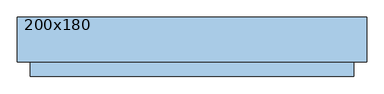
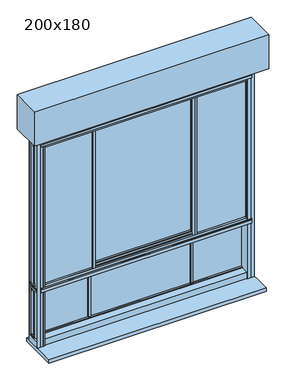
"""IFC4 building model written with IfcOpenShell, lengths in millimetres: window geometry, 200x180."""

from ifc_helpers import new_model, si_unit, frame, origin, place, context, project, spatial, polyline, outline, extrude, faceted_brep, source, transform, mapped, element, save


def window_200x180_533f8f19(model_context):
    return source(origin(), model_context, "Body", "SolidModel", [
        extrude(outline(polyline([(1871.5, 840.7), (1775.5, 840.7), (1775.5, 866.7), (1871.5, 866.7), (1871.5, 840.7)]), holes=[polyline([(1778.5, 863.7), (1778.5, 843.7), (1868.5, 843.7), (1868.5, 863.7), (1778.5, 863.7)])]), frame((0.0, 32.25, 0.0), z_axis=(0.0, 1.0, 0.0), x_axis=(0.0, 0.0, 1.0)), (0.0, 0.0, 1.0), 10.0),
        extrude(outline(polyline([(1871.5, -788.3), (1871.5, -814.3), (1775.5, -814.3), (1775.5, -788.3), (1871.5, -788.3)]), holes=[polyline([(1778.5, -811.3), (1868.5, -811.3), (1868.5, -791.3), (1778.5, -791.3), (1778.5, -811.3)])]), frame((0.0, 32.65, 0.0), z_axis=(0.0, 1.0, 0.0), x_axis=(0.0, 0.0, 1.0)), (0.0, 0.0, 1.0), 10.0),
        extrude(outline(polyline([(996.2, -93.75), (-943.8, -93.75), (-943.8, 156.25), (996.2, 156.25), (996.2, -93.75)])), frame((0.0, 0.0, 2523.5), z_axis=(0.0, 0.0, 1.0), x_axis=(1.0, 0.0, 0.0)), (0.0, 0.0, 1.0), 300.0),
        faceted_brep([(926.2, 25.5, 1173.5), (915.15, 25.5, 1173.5), (915.15, 21.0, 1173.5), (926.2, 21.0, 1173.5), (-873.8, 21.0, 1173.5), (-862.75, 21.0, 1173.5), (-862.75, 25.5, 1173.5), (-873.8, 25.5, 1173.5), (877.05, 21.0, 1173.5), (913.35, 21.0, 1173.5), (913.35, 22.7303848, 1173.5), (913.35, 25.5, 1173.5), (877.05, 25.5, 1173.5), (877.05, 42.2, 1173.5), (865.85, 42.2, 1173.5), (865.85, 25.5, 1173.5), (-813.45, 25.5, 1173.5), (-813.45, 42.2, 1173.5), (-824.65, 42.2, 1173.5), (-824.65, 25.5, 1173.5), (-860.95, 25.5, 1173.5), (-860.95, 22.7303848, 1173.5), (-860.95, 21.0, 1173.5), (-824.65, 21.0, 1173.5), (-824.65, 4.3, 1173.5), (-813.45, 4.3, 1173.5), (-813.45, 21.0, 1173.5), (865.85, 21.0, 1173.5), (865.85, 4.3, 1173.5), (877.05, 4.3, 1173.5), (-813.45, 108.1, 673.5), (-813.45, 106.25, 673.5), (865.85, 106.25, 673.5), (865.85, 108.1, 673.5), (926.2, 108.1, 673.5), (926.2, 29.65, 673.5), (915.15, 29.65, 673.5), (915.15, -0.5850342, 673.5), (926.2, -0.5850342, 673.5), (926.2, -6.8, 673.5), (898.9952323, -6.8, 673.5), (865.85, -6.8, 673.5), (865.85, 29.65, 673.5), (-813.45, 29.65, 673.5), (-813.45, -6.8, 673.5), (-846.5952323, -6.8, 673.5), (-873.8, -6.8, 673.5), (-873.8, -0.5850342, 673.5), (-862.75, -0.5850342, 673.5), (-862.75, 29.65, 673.5), (-873.8, 29.65, 673.5), (-873.8, 108.1, 673.5), (-860.95, -5.3, 673.5), (-824.65, -5.3, 673.5), (-824.65, 29.65, 673.5), (-860.95, 29.65, 673.5), (-860.95, 22.7303848, 673.5), (913.35, -5.3, 673.5), (913.35, 22.7303848, 673.5), (913.35, 29.65, 673.5), (877.05, 29.65, 673.5), (877.05, -5.3, 673.5), (877.05, 29.65, 677.75), (877.05, -4.95, 677.75), (877.05, -4.95, 728.8026988), (877.05, 49.9, 728.8026988), (877.05, 49.9, 1150.55), (877.05, -4.95, 1150.55), (877.05, -4.95, 1206.05), (877.05, -0.85, 1206.05), (877.05, -0.85, 2412.0), (877.05, -4.95, 2412.0), (877.05, -4.95, 2473.5), (877.05, -5.3, 2473.5), (877.05, 4.3, 1169.65), (877.05, 21.0, 1169.65), (877.05, 25.5, 1169.65), (877.05, 42.2, 1169.65), (877.05, 49.9, 2455.0), (877.05, 47.35, 2455.0), (877.05, 47.35, 2424.7), (877.05, 49.9, 2424.7), (877.05, 49.9, 2412.0), (877.05, 47.35, 2412.0), (877.05, 47.35, 1206.05), (877.05, 49.9, 1206.05), (877.05, -0.85, 2455.0), (877.05, -3.45, 2455.0), (877.05, -3.45, 2426.5), (877.05, -0.85, 2426.5), (865.85, 106.25, 728.8026988), (865.85, 90.05, 728.8026988), (865.85, 90.05, 738.4026988), (865.85, 81.05, 738.4026988), (865.85, 81.05, 729.8026988), (865.85, 75.05, 729.8026988), (865.85, 75.05, 738.4026988), (865.85, 61.75, 738.4026988), (865.85, 61.75, 728.8026988), (865.85, -4.95, 728.8026988), (865.85, -4.95, 677.75), (865.85, 29.65, 677.75), (865.85, -6.8, 2473.5), (865.85, -4.95, 2473.5), (865.85, -4.95, 2412.0), (865.85, -0.85, 2412.0), (865.85, -0.85, 1206.05), (865.85, -4.95, 1206.05), (865.85, -4.95, 1150.55), (865.85, 61.7500001, 1150.55), (865.85, 61.7500001, 1140.95), (865.85, 75.0500001, 1140.95), (865.85, 75.0500001, 1149.55), (865.85, 81.0500001, 1149.55), (865.85, 81.0500001, 1140.95), (865.85, 90.0500001, 1140.95), (865.85, 90.0500001, 1150.55), (865.85, 106.25, 1150.55), (865.85, 106.25, 1206.05), (865.85, 102.15, 1206.05), (865.85, 102.15, 1194.85), (865.85, 104.75, 1194.85), (865.85, 104.75, 1188.85), (865.85, 101.205881, 1188.85), (865.85, 99.75, 1184.85), (865.85, 97.0, 1184.85), (865.85, 97.0, 1169.65), (865.85, 80.3, 1169.65), (865.85, 80.3, 1173.6231379), (865.85, 75.8, 1173.6231379), (865.85, 75.8, 1169.65), (865.85, 59.1000001, 1169.65), (865.85, 59.1000001, 1184.85), (865.85, 56.4000001, 1184.85), (865.85, 54.9441191, 1188.85), (865.85, 53.9500001, 1188.85), (865.85, 53.9500001, 1206.05), (865.85, 47.35, 1206.05), (865.85, 47.35, 2412.0), (865.85, 53.95, 2412.0), (865.85, 53.95, 2424.7), (865.85, 51.4, 2424.7), (865.85, 51.4, 2455.0), (865.85, 104.75, 2455.0), (865.85, 104.75, 2426.5), (865.85, 102.15, 2426.5), (865.85, 102.15, 2412.0), (865.85, 106.25, 2412.0), (865.85, 106.25, 2473.5), (865.85, 108.1, 2473.5), (865.85, 21.0, 1169.65), (865.85, 4.3, 1169.65), (865.85, 42.2, 1169.65), (865.85, 25.5, 1169.65), (865.85, 47.35, 2455.0), (865.85, 49.9, 2455.0), (865.85, 49.9, 2424.7), (865.85, 47.35, 2424.7), (865.85, -0.85, 2426.5), (865.85, -3.45, 2426.5), (865.85, -3.45, 2455.0), (865.85, -0.85, 2455.0), (-813.45, 29.65, 677.75), (-813.45, -4.95, 677.75), (-813.45, -4.95, 728.8026988), (-813.45, 61.75, 728.8026988), (-813.45, 61.75, 738.4026988), (-813.45, 75.05, 738.4026988), (-813.45, 75.05, 729.8026988), (-813.45, 81.05, 729.8026988), (-813.45, 81.05, 738.4026988), (-813.45, 90.05, 738.4026988), (-813.45, 90.05, 728.8026988), (-813.45, 106.25, 728.8026988), (-813.45, 108.1, 2473.5), (-813.45, 106.25, 2473.5), (-813.45, 106.25, 2412.0), (-813.45, 102.15, 2412.0), (-813.45, 102.15, 2426.5), (-813.45, 104.75, 2426.5), (-813.45, 104.75, 2455.0), (-813.45, 51.4, 2455.0), (-813.45, 51.4, 2424.7), (-813.45, 53.95, 2424.7), (-813.45, 53.95, 2412.0), (-813.45, 47.35, 2412.0), (-813.45, 47.35, 1206.05), (-813.45, 53.9500001, 1206.05), (-813.45, 53.9500001, 1188.85), (-813.45, 54.9441191, 1188.85), (-813.45, 56.4000001, 1184.85), (-813.45, 59.1000001, 1184.85), (-813.45, 59.1000001, 1169.65), (-813.45, 75.8, 1169.65), (-813.45, 75.8, 1173.6231379), (-813.45, 80.3, 1173.6231379), (-813.45, 80.3, 1169.65), (-813.45, 97.0, 1169.65), (-813.45, 97.0, 1184.85), (-813.45, 99.75, 1184.85), (-813.45, 101.205881, 1188.85), (-813.45, 104.75, 1188.85), (-813.45, 104.75, 1194.85), (-813.45, 102.15, 1194.85), (-813.45, 102.15, 1206.05), (-813.45, 106.25, 1206.05), (-813.45, 106.25, 1150.55), (-813.45, 90.0500001, 1150.55), (-813.45, 90.0500001, 1140.95), (-813.45, 81.0500001, 1140.95), (-813.45, 81.0500001, 1149.55), (-813.45, 75.0500001, 1149.55), (-813.45, 75.0500001, 1140.95), (-813.45, 61.7500001, 1140.95), (-813.45, 61.7500001, 1150.55), (-813.45, -4.95, 1150.55), (-813.45, -4.95, 1206.05), (-813.45, -0.85, 1206.05), (-813.45, -0.85, 2412.0), (-813.45, -4.95, 2412.0), (-813.45, -4.95, 2473.5), (-813.45, -6.8, 2473.5), (-813.45, 4.3, 1169.65), (-813.45, 21.0, 1169.65), (-813.45, 25.5, 1169.65), (-813.45, 42.2, 1169.65), (-813.45, -0.85, 2455.0), (-813.45, -3.45, 2455.0), (-813.45, -3.45, 2426.5), (-813.45, -0.85, 2426.5), (-813.45, 47.35, 2424.7), (-813.45, 49.9, 2424.7), (-813.45, 49.9, 2455.0), (-813.45, 47.35, 2455.0), (-824.65, -5.3, 2473.5), (-824.65, -4.95, 2473.5), (-824.65, -4.95, 2412.0), (-824.65, -0.85, 2412.0), (-824.65, -0.85, 1206.05), (-824.65, -4.95, 1206.05), (-824.65, -4.95, 1150.55), (-824.65, 49.9, 1150.55), (-824.65, 49.9, 728.8026988), (-824.65, -4.95, 728.8026988), (-824.65, -4.95, 677.75), (-824.65, 29.65, 677.75), (-824.65, 21.0, 1169.65), (-824.65, 4.3, 1169.65), (-824.65, 42.2, 1169.65), (-824.65, 25.5, 1169.65), (-824.65, 47.35, 2455.0), (-824.65, 49.9, 2455.0), (-824.65, 49.9, 2424.7), (-824.65, 47.35, 2424.7), (-824.65, 47.35, 2412.0), (-824.65, 49.9, 2412.0), (-824.65, 49.9, 1206.05), (-824.65, 47.35, 1206.05), (-824.65, -0.85, 2426.5), (-824.65, -3.45, 2426.5), (-824.65, -3.45, 2455.0), (-824.65, -0.85, 2455.0), (-873.8, 108.1, 2473.5), (-873.8, -6.8, 2473.5), (-846.5952323, -6.8, 2473.5), (898.9952323, -6.8, 2473.5), (926.2, -6.8, 2473.5), (926.2, 108.1, 2473.5), (-860.95, -5.3, 2473.5), (-860.95, -4.95, 2473.5), (913.35, -5.3, 2473.5), (913.35, -4.95, 2473.5), (913.35, -0.85, 1206.05), (913.35, -0.85, 1188.85), (-860.95, -0.85, 1188.85), (-860.95, -0.85, 1206.05), (-860.95, -0.85, 2412.0), (-860.95, -0.85, 2426.5), (913.35, -0.85, 2426.5), (913.35, -0.85, 2412.0), (-873.8, 29.65, 677.75), (-873.8, -0.5850342, 677.75), (-873.8, 51.4, 2455.0), (-873.8, 51.4, 2424.7), (-873.8, 53.95, 2424.7), (-873.8, 53.95, 2412.0), (-873.8, 47.35, 2412.0), (-873.8, 47.35, 2424.7), (-873.8, 49.9, 2424.7), (-873.8, 49.9, 2455.0), (-873.8, -0.5850342, 2455.0), (-873.8, -0.5850342, 1188.85), (-873.8, 0.0941191, 1188.85), (-873.8, 1.55, 1184.85), (-873.8, 4.3, 1184.85), (-873.8, 4.3, 1169.65), (-873.8, 21.0, 1169.65), (-873.8, 25.5, 1169.65), (-873.8, 42.2, 1169.65), (-873.8, 42.2, 1184.85), (-873.8, 44.9, 1184.85), (-873.8, 46.355881, 1188.85), (-873.8, 47.3500001, 1188.85), (-873.8, 47.3500001, 1206.05), (-873.8, 53.9500001, 1206.05), (-873.8, 53.9500001, 1188.85), (-873.8, 54.9441191, 1188.85), (-873.8, 56.4000001, 1184.85), (-873.8, 59.1000001, 1184.85), (-873.8, 59.1000001, 1169.65), (-873.8, 75.8, 1169.65), (-873.8, 75.8, 1173.6231379), (-873.8, 80.3, 1173.6231379), (-873.8, 80.3, 1169.65), (-873.8, 97.0, 1169.65), (-873.8, 97.0, 1184.85), (-873.8, 99.75, 1184.85), (-873.8, 101.205881, 1188.85), (-873.8, 101.8850342, 1188.85), (-873.8, 101.8850342, 2455.0), (-873.8, 90.0500001, 1150.55), (-873.8, 90.0500001, 1140.95), (-873.8, 81.0500001, 1140.95), (-873.8, 81.0500001, 1149.55), (-873.8, 75.0500001, 1149.55), (-873.8, 75.0500001, 1140.95), (-873.8, 61.7500001, 1140.95), (-873.8, 61.7500001, 1150.55), (-873.8, -0.5850342, 1150.55), (-873.8, -0.5850342, 728.8026988), (-873.8, 61.75, 728.8026988), (-873.8, 61.75, 738.4026988), (-873.8, 75.05, 738.4026988), (-873.8, 75.05, 729.8026988), (-873.8, 81.05, 729.8026988), (-873.8, 81.05, 738.4026988), (-873.8, 90.05, 738.4026988), (-873.8, 90.05, 728.8026988), (-873.8, 101.8850342, 728.8026988), (-873.8, 101.8850342, 1150.55), (-862.75, -0.5850342, 677.75), (-862.75, -0.5850342, 2455.0), (-862.75, -0.5850342, 1188.85), (-862.75, -0.5850342, 1150.55), (-862.75, -0.5850342, 728.8026988), (-862.75, 29.65, 677.75), (-862.75, 49.9, 2455.0), (-862.75, 49.9, 2424.7), (-862.75, 47.35, 2424.7), (-862.75, 47.35, 2412.0), (-862.75, 49.9, 2412.0), (-862.75, 49.9, 1206.05), (-862.75, 47.3500001, 1206.05), (-862.75, 47.3500001, 1188.85), (-862.75, 46.355881, 1188.85), (-862.75, 44.9, 1184.85), (-862.75, 42.2, 1184.85), (-862.75, 42.2, 1169.65), (-862.75, 25.5, 1169.65), (-862.75, 21.0, 1169.65), (-862.75, 4.3, 1169.65), (-862.75, 4.3, 1184.85), (-862.75, 1.55, 1184.85), (-862.75, 0.0941191, 1188.85), (-862.75, 49.9, 1150.55), (-862.75, 49.9, 728.8026988), (926.2, 49.9, 2455.0), (915.15, 49.9, 2455.0), (915.15, 49.9, 2424.7), (926.2, 49.9, 2424.7), (-869.028222, 49.9, 2412.0), (-869.028222, 49.9, 1206.05), (-869.028222, 49.9, 1150.55), (-869.028222, 49.9, 728.8026988), (921.428222, 49.9, 2412.0), (915.15, 49.9, 2412.0), (915.15, 49.9, 1206.05), (921.428222, 49.9, 1206.05), (921.428222, 49.9, 1150.55), (915.15, 49.9, 1150.55), (915.15, 49.9, 728.8026988), (921.428222, 49.9, 728.8026988), (-869.028222, 51.425037, 2412.0), (-869.028222, 51.425037, 1206.05), (-869.028222, 51.425037, 1150.55), (-869.028222, 51.425037, 728.8026988), (926.2, 51.425037, 2424.7), (915.15, 51.425037, 2424.7), (915.15, 51.425037, 2455.0), (926.2, 51.425037, 2455.0), (-862.75, 51.425037, 2412.0), (-862.75, 51.425037, 1206.05), (-862.75, 51.425037, 1150.55), (-862.75, 51.425037, 728.8026988), (-862.75, 51.425037, 2424.7), (-862.75, 51.425037, 2455.0), (915.15, 51.425037, 2412.0), (921.428222, 51.425037, 2412.0), (921.428222, 51.425037, 1206.05), (915.15, 51.425037, 1206.05), (915.15, 51.425037, 1150.55), (921.428222, 51.425037, 1150.55), (921.428222, 51.425037, 728.8026988), (915.15, 51.425037, 728.8026988), (-862.75, 101.8850342, 2455.0), (-862.75, 101.8850342, 1188.85), (-862.75, 101.205881, 1188.85), (-862.75, 99.75, 1184.85), (-862.75, 97.0, 1184.85), (-862.75, 97.0, 1169.65), (-862.75, 80.3, 1169.65), (-862.75, 80.3, 1173.6231379), (-862.75, 75.8, 1173.6231379), (-862.75, 75.8, 1169.65), (-862.75, 59.1000001, 1169.65), (-862.75, 59.1000001, 1184.85), (-862.75, 56.4000001, 1184.85), (-862.75, 54.9441191, 1188.85), (-862.75, 53.9500001, 1188.85), (-862.75, 53.9500001, 1206.05), (-862.75, 53.95, 2412.0), (-862.75, 53.95, 2424.7), (-862.75, 61.7500001, 1150.55), (-862.75, 61.7500001, 1140.95), (-862.75, 75.0500001, 1140.95), (-862.75, 75.0500001, 1149.55), (-862.75, 81.0500001, 1149.55), (-862.75, 81.0500001, 1140.95), (-862.75, 90.0500001, 1140.95), (-862.75, 90.0500001, 1150.55), (-862.75, 101.8850342, 1150.55), (-862.75, 101.8850342, 728.8026988), (-862.75, 90.05, 728.8026988), (-862.75, 90.05, 738.4026988), (-862.75, 81.05, 738.4026988), (-862.75, 81.05, 729.8026988), (-862.75, 75.05, 729.8026988), (-862.75, 75.05, 738.4026988), (-862.75, 61.75, 738.4026988), (-862.75, 61.75, 728.8026988), (926.2, 47.35, 2424.7), (915.15, 47.35, 2424.7), (915.15, 47.35, 2412.0), (926.2, 47.35, 2412.0), (926.2, 47.35, 1206.05), (915.15, 47.35, 1206.05), (915.15, 47.35, 1188.85), (926.2, 47.35, 1188.85), (-860.95, 47.35, 1188.85), (913.35, 47.35, 1188.85), (913.35, 47.35, 1206.05), (913.35, 47.35, 2412.0), (913.35, 47.35, 2424.7), (-860.95, 47.35, 2424.7), (-860.95, 47.35, 2412.0), (-860.95, 47.35, 1206.05), (-860.95, 49.9, 2455.0), (-860.95, 49.9, 2424.7), (-860.95, 49.9, 2412.0), (-860.95, 49.9, 1206.05), (-860.95, 49.9, 1150.55), (-860.95, 49.9, 728.8026988), (-860.95, 29.65, 677.75), (-860.95, 22.7303848, 677.75), (-860.95, 22.7303848, 2455.0), (-860.95, 25.5, 1169.65), (-860.95, 42.2, 1169.65), (-860.95, 42.2, 1184.85), (-860.95, 44.9, 1184.85), (-860.95, 46.355881, 1188.85), (-860.95, 22.7303848, 1150.55), (-860.95, 22.7303848, 728.8026988), (-860.95, -4.95, 677.75), (-860.95, -4.95, 728.8026988), (-860.95, -4.95, 1150.55), (-860.95, -4.95, 1206.05), (-860.95, 0.0941191, 1188.85), (-860.95, 1.55, 1184.85), (-860.95, 4.3, 1184.85), (-860.95, 4.3, 1169.65), (-860.95, 21.0, 1169.65), (-860.95, -3.45, 2455.0), (-860.95, -3.45, 2426.5), (-860.95, -4.95, 2412.0), (913.35, -4.95, 2412.0), (913.35, -3.45, 2426.5), (913.35, -3.45, 2455.0), (913.35, 22.7303848, 2455.0), (913.35, 21.0, 1169.65), (913.35, 4.3, 1169.65), (913.35, 4.3, 1184.85), (913.35, 1.55, 1184.85), (913.35, 0.0941191, 1188.85), (913.35, -4.95, 1206.05), (913.35, -4.95, 1150.55), (913.35, 22.7303848, 1150.55), (913.35, 22.7303848, 728.8026988), (913.35, -4.95, 728.8026988), (913.35, -4.95, 677.75), (913.35, 22.7303848, 677.75), (913.35, 29.65, 677.75), (913.35, 49.9, 2455.0), (913.35, 49.9, 2424.7), (913.35, 49.9, 2412.0), (913.35, 49.9, 1206.05), (913.35, 46.355881, 1188.85), (913.35, 44.9, 1184.85), (913.35, 42.2, 1184.85), (913.35, 42.2, 1169.65), (913.35, 25.5, 1169.65), (913.35, 49.9, 1150.55), (913.35, 49.9, 728.8026988), (926.2, -0.5850342, 677.75), (926.2, 29.65, 677.75), (926.2, 53.95, 2412.0), (926.2, 53.95, 2424.7), (926.2, 101.8850342, 2455.0), (926.2, 101.8850342, 1188.85), (926.2, 101.205881, 1188.85), (926.2, 99.75, 1184.85), (926.2, 97.0, 1184.85), (926.2, 97.0, 1169.65), (926.2, 80.3, 1169.65), (926.2, 80.3, 1173.6231379), (926.2, 75.8, 1173.6231379), (926.2, 75.8, 1169.65), (926.2, 59.1000001, 1169.65), (926.2, 59.1000001, 1184.85), (926.2, 56.4000001, 1184.85), (926.2, 54.9441191, 1188.85), (926.2, 53.9500001, 1188.85), (926.2, 53.9500001, 1206.05), (926.2, 46.355881, 1188.85), (926.2, 44.9, 1184.85), (926.2, 42.2, 1184.85), (926.2, 42.2, 1169.65), (926.2, 25.5, 1169.65), (926.2, 21.0, 1169.65), (926.2, 4.3, 1169.65), (926.2, 4.3, 1184.85), (926.2, 1.55, 1184.85), (926.2, 0.0941191, 1188.85), (926.2, -0.5850342, 1188.85), (926.2, -0.5850342, 2455.0), (926.2, 61.7500001, 1150.55), (926.2, 61.7500001, 1140.95), (926.2, 75.0500001, 1140.95), (926.2, 75.0500001, 1149.55), (926.2, 81.0500001, 1149.55), (926.2, 81.0500001, 1140.95), (926.2, 90.0500001, 1140.95), (926.2, 90.0500001, 1150.55), (926.2, 101.8850342, 1150.55), (926.2, 101.8850342, 728.8026988), (926.2, 90.05, 728.8026988), (926.2, 90.05, 738.4026988), (926.2, 81.05, 738.4026988), (926.2, 81.05, 729.8026988), (926.2, 75.05, 729.8026988), (926.2, 75.05, 738.4026988), (926.2, 61.75, 738.4026988), (926.2, 61.75, 728.8026988), (926.2, -0.5850342, 728.8026988), (926.2, -0.5850342, 1150.55), (915.15, 101.8850342, 2455.0), (915.15, 101.8850342, 1188.85), (915.15, 101.8850342, 1150.55), (915.15, 101.8850342, 728.8026988), (915.15, 53.95, 2424.7), (915.15, 53.95, 2412.0), (915.15, 53.9500001, 1206.05), (915.15, 53.9500001, 1188.85), (915.15, 54.9441191, 1188.85), (915.15, 56.4000001, 1184.85), (915.15, 59.1000001, 1184.85), (915.15, 59.1000001, 1169.65), (915.15, 75.8, 1169.65), (915.15, 75.8, 1173.6231379), (915.15, 80.3, 1173.6231379), (915.15, 80.3, 1169.65), (915.15, 97.0, 1169.65), (915.15, 97.0, 1184.85), (915.15, 99.75, 1184.85), (915.15, 101.205881, 1188.85), (915.15, 90.0500001, 1150.55), (915.15, 90.0500001, 1140.95), (915.15, 81.0500001, 1140.95), (915.15, 81.0500001, 1149.55), (915.15, 75.0500001, 1149.55), (915.15, 75.0500001, 1140.95), (915.15, 61.7500001, 1140.95), (915.15, 61.7500001, 1150.55), (915.15, 61.75, 728.8026988), (915.15, 61.75, 738.4026988), (915.15, 75.05, 738.4026988), (915.15, 75.05, 729.8026988), (915.15, 81.05, 729.8026988), (915.15, 81.05, 738.4026988), (915.15, 90.05, 738.4026988), (915.15, 90.05, 728.8026988), (915.15, 29.65, 677.75), (915.15, -0.5850342, 677.75), (915.15, -0.5850342, 2455.0), (915.15, -0.5850342, 1188.85), (915.15, 0.0941191, 1188.85), (915.15, 1.55, 1184.85), (915.15, 4.3, 1184.85), (915.15, 4.3, 1169.65), (915.15, 21.0, 1169.65), (915.15, 25.5, 1169.65), (915.15, 42.2, 1169.65), (915.15, 42.2, 1184.85), (915.15, 44.9, 1184.85), (915.15, 46.355881, 1188.85), (915.15, -0.5850342, 1150.55), (915.15, -0.5850342, 728.8026988)], [[[0, 1, 2, 3]], [[4, 5, 6, 7]], [[8, 9, 10, 11, 12, 13, 14, 15, 16, 17, 18, 19, 20, 21, 22, 23, 24, 25, 26, 27, 28, 29]], [[30, 31, 32, 33, 34, 35, 36, 37, 38, 39, 40, 41, 42, 43, 44, 45, 46, 47, 48, 49, 50, 51], [52, 53, 54, 55, 56], [57, 58, 59, 60, 61]], [[61, 60, 62, 63, 64, 65, 66, 67, 68, 69, 70, 71, 72, 73]], [[29, 74, 75, 8]], [[12, 76, 77, 13]], [[78, 79, 80, 81]], [[82, 83, 84, 85]], [[86, 87, 88, 89]], [[33, 32, 90, 91, 92, 93, 94, 95, 96, 97, 98, 99, 100, 101, 42, 41, 102, 103, 104, 105, 106, 107, 108, 109, 110, 111, 112, 113, 114, 115, 116, 117, 118, 119, 120, 121, 122, 123, 124, 125, 126, 127, 128, 129, 130, 131, 132, 133, 134, 135, 136, 137, 138, 139, 140, 141, 142, 143, 144, 145, 146, 147, 148, 149]], [[27, 150, 151, 28]], [[14, 152, 153, 15]], [[154, 155, 156, 157]], [[158, 159, 160, 161]], [[44, 43, 162, 163, 164, 165, 166, 167, 168, 169, 170, 171, 172, 173, 31, 30, 174, 175, 176, 177, 178, 179, 180, 181, 182, 183, 184, 185, 186, 187, 188, 189, 190, 191, 192, 193, 194, 195, 196, 197, 198, 199, 200, 201, 202, 203, 204, 205, 206, 207, 208, 209, 210, 211, 212, 213, 214, 215, 216, 217, 218, 219, 220, 221]], [[25, 222, 223, 26]], [[16, 224, 225, 17]], [[226, 227, 228, 229]], [[230, 231, 232, 233]], [[234, 235, 236, 237, 238, 239, 240, 241, 242, 243, 244, 245, 54, 53]], [[23, 246, 247, 24]], [[18, 248, 249, 19]], [[250, 251, 252, 253]], [[254, 255, 256, 257]], [[258, 259, 260, 261]], [[262, 263, 264, 221, 220, 103, 102, 265, 266, 267, 149, 148, 175, 174], [268, 269, 235, 234], [270, 73, 72, 271]], [[234, 53, 52, 268]], [[272, 273, 274, 275, 238, 237, 276, 277, 258, 261, 226, 229, 158, 161, 86, 89, 278, 279, 70, 69], [218, 217, 106, 105]], [[264, 45, 44, 221]], [[263, 46, 45, 264]], [[46, 263, 262, 51, 50, 280, 281, 47], [282, 283, 284, 285, 286, 287, 288, 289, 290, 291, 292, 293, 294, 295, 296, 4, 7, 297, 298, 299, 300, 301, 302, 303, 304, 305, 306, 307, 308, 309, 310, 311, 312, 313, 314, 315, 316, 317, 318, 319], [320, 321, 322, 323, 324, 325, 326, 327, 328, 329, 330, 331, 332, 333, 334, 335, 336, 337, 338, 339]], [[47, 281, 340, 48]], [[290, 341, 342, 291]], [[328, 343, 344, 329]], [[48, 340, 345, 49]], [[341, 346, 347, 348, 349, 350, 351, 352, 353, 354, 355, 356, 357, 358, 6, 5, 359, 360, 361, 362, 363, 342]], [[343, 364, 365, 344]], [[156, 155, 232, 231]], [[366, 367, 368, 369]], [[346, 289, 288, 347]], [[350, 370, 371, 351]], [[364, 372, 373, 365]], [[374, 375, 376, 377]], [[378, 379, 380, 381]], [[370, 382, 383, 371]], [[372, 384, 385, 373]], [[142, 141, 182, 181]], [[386, 387, 388, 389]], [[382, 390, 391, 383]], [[384, 392, 393, 385]], [[394, 283, 282, 395]], [[396, 397, 398, 399]], [[400, 401, 402, 403]], [[395, 404, 405, 406, 407, 408, 409, 410, 411, 412, 413, 414, 415, 416, 417, 418, 419, 391, 390, 420, 421, 394]], [[392, 422, 423, 424, 425, 426, 427, 428, 429, 430, 431, 432, 433, 434, 435, 436, 437, 438, 439, 393]], [[404, 319, 318, 405]], [[430, 339, 338, 431]], [[174, 30, 51, 262]], [[440, 441, 442, 443]], [[444, 445, 446, 447]], [[286, 349, 348, 287]], [[302, 353, 352, 303]], [[448, 449, 450, 84, 83, 451, 452, 80, 79, 154, 157, 230, 233, 250, 253, 453, 454, 254, 257, 455], [186, 185, 138, 137]], [[251, 456, 457, 252]], [[255, 458, 459, 256]], [[241, 460, 461, 242]], [[55, 462, 463, 56]], [[456, 464, 21, 20, 465, 466, 467, 468, 469, 448, 455, 459, 458, 454, 453, 457]], [[460, 470, 471, 461]], [[56, 463, 472, 473, 471, 470, 474, 475, 275, 274, 476, 477, 478, 479, 480, 22, 21, 464, 481, 482, 277, 276, 483, 269, 268, 52]], [[57, 270, 271, 484, 279, 278, 485, 486, 487, 10, 9, 488, 489, 490, 491, 492, 273, 272, 493, 494, 495, 496, 497, 498, 499, 58]], [[58, 499, 500, 59]], [[487, 501, 502, 452, 451, 503, 504, 450, 449, 505, 506, 507, 508, 509, 11, 10]], [[495, 510, 511, 496]], [[81, 502, 501, 78]], [[85, 504, 503, 82]], [[65, 511, 510, 66]], [[267, 34, 33, 149]], [[266, 39, 38, 512, 513, 35, 34, 267], [366, 369, 440, 443, 514, 515, 386, 389, 516, 517, 518, 519, 520, 521, 522, 523, 524, 525, 526, 527, 528, 529, 530, 531, 444, 447, 532, 533, 534, 535, 536, 0, 3, 537, 538, 539, 540, 541, 542, 543], [544, 545, 546, 547, 548, 549, 550, 551, 552, 553, 554, 555, 556, 557, 558, 559, 560, 561, 562, 563]], [[516, 564, 565, 517]], [[552, 566, 567, 553]], [[564, 388, 387, 568, 569, 396, 399, 570, 571, 572, 573, 574, 575, 576, 577, 578, 579, 580, 581, 582, 583, 565]], [[566, 584, 585, 586, 587, 588, 589, 590, 591, 400, 403, 592, 593, 594, 595, 596, 597, 598, 599, 567]], [[397, 374, 377, 398]], [[401, 378, 381, 402]], [[36, 600, 601, 37]], [[367, 602, 603, 604, 605, 606, 607, 608, 2, 1, 609, 610, 611, 612, 613, 446, 445, 376, 375, 442, 441, 368]], [[379, 614, 615, 380]], [[37, 601, 512, 38]], [[602, 543, 542, 603]], [[614, 563, 562, 615]], [[265, 40, 39, 266]], [[102, 41, 40, 265]], [[270, 57, 61, 73]], [[72, 71, 484, 271]], [[220, 219, 104, 103]], [[269, 483, 236, 235]], [[148, 147, 176, 175]], [[147, 146, 177, 176]], [[146, 145, 178, 177]], [[145, 144, 179, 178]], [[144, 143, 180, 179]], [[143, 142, 181, 180]], [[282, 319, 404, 395]], [[388, 564, 516, 389]], [[141, 140, 183, 182]], [[394, 421, 284, 283]], [[515, 568, 387, 386]], [[140, 139, 184, 183]], [[284, 421, 420, 285]], [[514, 569, 568, 515]], [[83, 82, 503, 451]], [[185, 184, 139, 138]], [[443, 442, 375, 374, 397, 396, 569, 514]], [[454, 458, 255, 254]], [[285, 420, 390, 382, 370, 350, 349, 286]], [[157, 156, 231, 230]], [[253, 252, 457, 453]], [[287, 348, 347, 288]], [[452, 502, 81, 80]], [[368, 441, 440, 369]], [[155, 154, 79, 78, 501, 487, 486, 87, 86, 161, 160, 227, 226, 261, 260, 481, 464, 456, 251, 250, 233, 232]], [[346, 341, 290, 289]], [[366, 543, 602, 367]], [[160, 159, 228, 227]], [[260, 259, 482, 481]], [[486, 485, 88, 87]], [[229, 228, 159, 158]], [[259, 258, 277, 482]], [[485, 278, 89, 88]], [[71, 70, 279, 484]], [[105, 104, 219, 218]], [[483, 276, 237, 236]], [[291, 342, 363, 292]], [[273, 492, 476, 274]], [[541, 604, 603, 542]], [[492, 491, 477, 476]], [[292, 363, 362, 293]], [[540, 605, 604, 541]], [[491, 490, 478, 477]], [[293, 362, 361, 294]], [[539, 606, 605, 540]], [[490, 489, 74, 29, 28, 151, 222, 25, 24, 247, 479, 478]], [[294, 361, 360, 295]], [[538, 607, 606, 539]], [[151, 150, 223, 222]], [[247, 246, 480, 479]], [[489, 488, 75, 74]], [[295, 360, 359, 296]], [[537, 608, 607, 538]], [[3, 2, 608, 537]], [[26, 223, 150, 27]], [[246, 23, 22, 480]], [[488, 9, 8, 75]], [[296, 359, 5, 4]], [[7, 6, 358, 297]], [[15, 153, 224, 16]], [[19, 249, 465, 20]], [[11, 509, 76, 12]], [[536, 609, 1, 0]], [[153, 152, 225, 224]], [[249, 248, 466, 465]], [[509, 508, 77, 76]], [[297, 358, 357, 298]], [[535, 610, 609, 536]], [[152, 14, 13, 77, 508, 507, 467, 466, 248, 18, 17, 225]], [[298, 357, 356, 299]], [[534, 611, 610, 535]], [[507, 506, 468, 467]], [[299, 356, 355, 300]], [[533, 612, 611, 534]], [[506, 505, 469, 468]], [[300, 355, 354, 301]], [[532, 613, 612, 533]], [[447, 446, 613, 532]], [[448, 469, 505, 449]], [[301, 354, 353, 302]], [[137, 136, 187, 186]], [[257, 256, 459, 455]], [[303, 352, 351, 371, 383, 391, 419, 304]], [[450, 504, 85, 84]], [[531, 570, 399, 398, 377, 376, 445, 444]], [[136, 135, 188, 187]], [[304, 419, 418, 305]], [[530, 571, 570, 531]], [[135, 134, 189, 188]], [[305, 418, 417, 306]], [[529, 572, 571, 530]], [[134, 133, 190, 189]], [[306, 417, 416, 307]], [[528, 573, 572, 529]], [[133, 132, 191, 190]], [[307, 416, 415, 308]], [[527, 574, 573, 528]], [[132, 131, 192, 191]], [[308, 415, 414, 309]], [[526, 575, 574, 527]], [[131, 130, 193, 192]], [[309, 414, 413, 310]], [[525, 576, 575, 526]], [[130, 129, 194, 193]], [[310, 413, 412, 311]], [[524, 577, 576, 525]], [[129, 128, 195, 194]], [[311, 412, 411, 312]], [[523, 578, 577, 524]], [[128, 127, 196, 195]], [[312, 411, 410, 313]], [[522, 579, 578, 523]], [[127, 126, 197, 196]], [[313, 410, 409, 314]], [[521, 580, 579, 522]], [[126, 125, 198, 197]], [[314, 409, 408, 315]], [[520, 581, 580, 521]], [[125, 124, 199, 198]], [[315, 408, 407, 316]], [[519, 582, 581, 520]], [[124, 123, 200, 199]], [[316, 407, 406, 317]], [[518, 583, 582, 519]], [[123, 122, 201, 200]], [[517, 565, 583, 518]], [[317, 406, 405, 318]], [[122, 121, 202, 201]], [[121, 120, 203, 202]], [[120, 119, 204, 203]], [[119, 118, 205, 204]], [[118, 117, 206, 205]], [[117, 116, 207, 206]], [[339, 430, 429, 320]], [[551, 584, 566, 552]], [[115, 114, 209, 208]], [[549, 586, 585, 550]], [[321, 428, 427, 322]], [[114, 113, 210, 209]], [[322, 427, 426, 323]], [[548, 587, 586, 549]], [[113, 112, 211, 210]], [[323, 426, 425, 324]], [[547, 588, 587, 548]], [[112, 111, 212, 211]], [[324, 425, 424, 325]], [[546, 589, 588, 547]], [[111, 110, 213, 212]], [[325, 424, 423, 326]], [[545, 590, 589, 546]], [[110, 109, 214, 213]], [[326, 423, 422, 327]], [[544, 591, 590, 545]], [[67, 66, 510, 495, 494]], [[109, 108, 215, 214]], [[474, 470, 460, 241, 240]], [[563, 614, 379, 378, 401, 400, 591, 544]], [[327, 422, 392, 384, 372, 364, 343, 328]], [[108, 107, 216, 215]], [[240, 239, 475, 474]], [[494, 493, 68, 67]], [[69, 68, 493, 272]], [[217, 216, 107, 106]], [[275, 475, 239, 238]], [[101, 100, 163, 162]], [[245, 244, 472, 463, 462]], [[500, 499, 498, 63, 62]], [[512, 601, 600, 513]], [[280, 345, 340, 281]], [[100, 99, 164, 163]], [[244, 243, 473, 472]], [[498, 497, 64, 63]], [[99, 98, 165, 164]], [[243, 242, 461, 471, 473]], [[329, 344, 365, 373, 385, 393, 439, 330]], [[497, 496, 511, 65, 64]], [[561, 592, 403, 402, 381, 380, 615, 562]], [[98, 97, 166, 165]], [[330, 439, 438, 331]], [[560, 593, 592, 561]], [[97, 96, 167, 166]], [[331, 438, 437, 332]], [[559, 594, 593, 560]], [[96, 95, 168, 167]], [[332, 437, 436, 333]], [[558, 595, 594, 559]], [[95, 94, 169, 168]], [[333, 436, 435, 334]], [[557, 596, 595, 558]], [[94, 93, 170, 169]], [[334, 435, 434, 335]], [[556, 597, 596, 557]], [[93, 92, 171, 170]], [[335, 434, 433, 336]], [[555, 598, 597, 556]], [[91, 90, 173, 172]], [[553, 567, 599, 554]], [[337, 432, 431, 338]], [[31, 173, 90, 32]], [[50, 49, 345, 280]], [[42, 101, 162, 43]], [[54, 245, 462, 55]], [[59, 500, 62, 60]], [[513, 600, 36, 35]], [[172, 171, 92, 91]], [[336, 433, 432, 337]], [[554, 599, 598, 555]], [[208, 207, 116, 115]], [[320, 429, 428, 321]], [[550, 585, 584, 551]]]),
        extrude(outline(polyline([(57.45, 2431.9), (61.75, 2431.9), (61.75, 2434.1), (67.4000001, 2434.1), (67.4000001, 2443.9), (88.6999999, 2443.9), (88.6999999, 2434.1), (94.35, 2434.1), (94.35, 2431.9), (98.65, 2431.9), (98.65, 2414.0), (81.05, 2414.0), (81.05, 2423.4), (75.05, 2423.4), (75.05, 2414.0), (57.45, 2414.0), (57.45, 2431.9)])), frame((-398.3, 0.0, 0.0), z_axis=(1.0, 0.0, 0.0), x_axis=(0.0, 1.0, 0.0)), (0.0, 0.0, 1.0), 849.0),
        extrude(outline(polyline([(57.45, 1186.15), (57.45, 1204.05), (75.05, 1204.05), (75.05, 1194.65), (81.05, 1194.65), (81.05, 1204.05), (98.65, 1204.05), (98.65, 1186.15), (94.35, 1186.15), (94.35, 1183.95), (88.6999999, 1183.95), (88.6999999, 1174.15), (67.4000001, 1174.15), (67.4000001, 1183.95), (61.75, 1183.95), (61.75, 1186.15), (57.45, 1186.15)])), frame((-398.3, 0.0, 0.0), z_axis=(1.0, 0.0, 0.0), x_axis=(0.0, 1.0, 0.0)), (0.0, 0.0, 1.0), 849.0),
        extrude(outline(polyline([(-396.8, 87.45), (-388.3, 87.45), (-388.3, 81.05), (-408.3, 81.05), (-408.3, 87.45), (-399.8, 87.45), (-399.8, 96.25), (-396.8, 96.25), (-396.8, 87.45)])), frame((0.0, 0.0, 729.0), z_axis=(0.0, 0.0, 1.0), x_axis=(1.0, 0.0, 0.0)), (0.0, 0.0, 1.0), 444.5),
        extrude(outline(polyline([(-408.3, 69.05), (-408.3, 75.05), (-388.3, 75.05), (-388.3, 69.05), (-408.3, 69.05)])), frame((0.0, 0.0, 729.0), z_axis=(0.0, 0.0, 1.0), x_axis=(1.0, 0.0, 0.0)), (0.0, 0.0, 1.0), 444.5),
        extrude(outline(polyline([(449.2, 87.45), (449.2, 96.25), (452.2, 96.25), (452.2, 87.45), (460.7, 87.45), (460.7, 81.05), (440.7, 81.05), (440.7, 87.45), (449.2, 87.45)])), frame((0.0, 0.0, 729.0), z_axis=(0.0, 0.0, 1.0), x_axis=(1.0, 0.0, 0.0)), (0.0, 0.0, 1.0), 444.5),
        extrude(outline(polyline([(460.7, 69.05), (440.7, 69.05), (440.7, 75.05), (460.7, 75.05), (460.7, 69.05)])), frame((0.0, 0.0, 729.0), z_axis=(0.0, 0.0, 1.0), x_axis=(1.0, 0.0, 0.0)), (0.0, 0.0, 1.0), 444.5),
        extrude(outline(polyline([(-823.7, 20.25), (-823.7, 26.25), (-397.3, 26.25), (-397.3, 20.25), (-823.7, 20.25)])), frame((0.0, 0.0, 1194.65), z_axis=(0.0, 0.0, 1.0), x_axis=(1.0, 0.0, 0.0)), (0.0, 0.0, 1.0), 1228.75),
        extrude(outline(polyline([(876.1, 20.25), (450.7, 20.25), (450.7, 26.25), (876.1, 26.25), (876.1, 20.25)])), frame((0.0, 0.0, 1194.65), z_axis=(0.0, 0.0, 1.0), x_axis=(1.0, 0.0, 0.0)), (0.0, 0.0, 1.0), 1228.75),
        extrude(outline(polyline([(450.7, 75.05), (-398.3, 75.05), (-398.3, 81.05), (450.7, 81.05), (450.7, 75.05)])), frame((0.0, 0.0, 1194.65), z_axis=(0.0, 0.0, 1.0), x_axis=(1.0, 0.0, 0.0)), (0.0, 0.0, 1.0), 1228.75),
        faceted_brep([(-389.3, 2.65, 1173.5), (-407.3, 2.65, 1173.5), (-407.3, 14.25, 1173.5), (-397.0748111, 14.25, 1173.5), (-397.0748111, 32.25, 1173.5), (-407.3, 32.25, 1173.5), (-407.3, 43.85, 1173.5), (-393.1031371, 43.85, 1173.5), (-393.1031371, 50.1440374, 1173.5), (-396.4081362, 50.1440374, 1173.5), (-400.6157826, 51.5636227, 1173.5), (-400.6157826, 53.95, 1173.5), (-391.3266098, 53.95, 1173.5), (-391.3266098, 43.85, 1173.5), (-389.3, 43.85, 1173.5), (-389.3, 2.65, 2443.9), (-389.3, 43.85, 2443.9), (-391.3266098, 43.85, 2443.9), (-391.3266098, 53.95, 2443.9), (-400.6157826, 53.95, 2443.9), (-400.6157826, 51.5636227, 2443.9), (-396.4081362, 50.1440374, 2443.9), (-393.1031371, 50.1440374, 2443.9), (-393.1031371, 43.85, 2443.9), (-407.3, 43.85, 2443.9), (-407.3, 33.8999999, 2443.9), (-844.2, 33.8999999, 2443.9), (-844.2, 12.6000001, 2443.9), (-407.3, 12.6000001, 2443.9), (-407.3, 2.65, 2443.9), (-397.0748111, 14.25, 2443.9), (-398.3, 14.25, 2443.9), (-398.3, 32.25, 2443.9), (-397.0748111, 32.25, 2443.9), (-407.3, 2.65, 2431.9), (-832.2, 2.65, 2431.9), (-832.2, 2.65, 1185.9300791), (-407.3, 2.65, 1185.9300791), (-814.3, 2.65, 2414.0), (-407.3, 2.65, 2414.0), (-407.3, 2.65, 1203.8300791), (-814.3, 2.65, 1203.8300791), (-407.3, 6.95, 1185.9300791), (-407.3, 6.95, 1183.7300791), (-407.3, 12.6000001, 1183.7300791), (-407.3, 12.6000001, 1173.9300791), (-407.3, 14.25, 1173.9300791), (-407.3, 12.6000001, 2434.1), (-407.3, 6.95, 2434.1), (-407.3, 6.95, 2431.9), (-407.3, 14.25, 2414.0), (-407.3, 14.25, 1203.8300791), (-398.3, 14.25, 1173.9300791), (-398.3, 14.25, 1203.8300791), (-398.3, 14.25, 2414.0), (-398.3, 32.25, 2414.0), (-407.3, 32.25, 2414.0), (-407.3, 32.25, 1203.8300791), (-398.3, 32.25, 1203.8300791), (-398.3, 32.25, 1173.9300791), (-407.3, 32.25, 1173.9300791), (-407.3, 33.8999999, 1173.9300791), (-407.3, 33.8999999, 1183.7300791), (-407.3, 39.55, 1183.7300791), (-407.3, 39.55, 1185.9300791), (-407.3, 43.85, 1185.9300791), (-407.3, 43.85, 2431.9), (-407.3, 39.55, 2431.9), (-407.3, 39.55, 2434.1), (-407.3, 33.8999999, 2434.1), (-407.3, 43.85, 2414.0), (-407.3, 43.85, 1203.8300791), (-398.3, 20.25, 1203.8300791), (-398.3, 26.25, 1203.8300791), (-398.3, 26.25, 1194.4300791), (-398.3, 20.25, 1194.4300791), (-814.3, 20.25, 1203.8300791), (-823.7, 20.25, 1194.4300791), (-823.7, 20.25, 2423.4), (-398.3, 20.25, 2423.4), (-398.3, 20.25, 2414.0), (-814.3, 20.25, 2414.0), (-823.7, 26.25, 1194.4300791), (-814.3, 26.25, 1203.8300791), (-814.3, 26.25, 2414.0), (-398.3, 26.25, 2414.0), (-398.3, 26.25, 2423.4), (-823.7, 26.25, 2423.4), (-814.3, 43.85, 1203.8300791), (-832.2, 43.85, 1185.9300791), (-832.2, 39.55, 1185.9300791), (-834.4, 39.55, 1183.7300791), (-834.4, 39.55, 2434.1), (-832.2, 39.55, 2431.9), (-834.4, 33.8999999, 1183.7300791), (-844.2, 33.8999999, 1173.9300791), (-834.4, 33.8999999, 2434.1), (-844.2, 12.6000001, 1173.9300791), (-834.4, 12.6000001, 1183.7300791), (-834.4, 12.6000001, 2434.1), (-834.4, 6.95, 1183.7300791), (-832.2, 6.95, 1185.9300791), (-832.2, 6.95, 2431.9), (-834.4, 6.95, 2434.1), (-814.3, 43.85, 2414.0), (-832.2, 43.85, 2431.9)], [[[0, 1, 2, 3, 4, 5, 6, 7, 8, 9, 10, 11, 12, 13, 14]], [[15, 16, 17, 18, 19, 20, 21, 22, 23, 24, 25, 26, 27, 28, 29], [30, 31, 32, 33]], [[0, 15, 29, 34, 35, 36, 37, 1], [38, 39, 40, 41]], [[1, 37, 42, 43, 44, 45, 46, 2]], [[28, 47, 48, 49, 34, 29]], [[39, 50, 51, 40]], [[2, 46, 52, 53, 51, 50, 54, 31, 30, 3]], [[3, 30, 33, 4]], [[4, 33, 32, 55, 56, 57, 58, 59, 60, 5]], [[5, 60, 61, 62, 63, 64, 65, 6]], [[24, 66, 67, 68, 69, 25]], [[56, 70, 71, 57]], [[13, 17, 16, 14]], [[72, 53, 52, 59, 58, 73, 74, 75]], [[41, 40, 51, 53, 72, 76]], [[75, 77, 78, 79, 80, 81, 76, 72]], [[74, 82, 77, 75]], [[73, 83, 84, 85, 86, 87, 82, 74]], [[73, 58, 57, 71, 88, 83]], [[89, 65, 64, 90]], [[90, 64, 63, 91, 92, 68, 67, 93]], [[91, 63, 62, 94]], [[94, 62, 61, 95, 26, 25, 69, 96]], [[95, 61, 60, 59, 52, 46, 45, 97]], [[97, 45, 44, 98, 99, 47, 28, 27]], [[98, 44, 43, 100]], [[100, 43, 42, 101, 102, 49, 48, 103]], [[101, 42, 37, 36]], [[41, 76, 81, 38]], [[77, 82, 87, 78]], [[83, 88, 104, 84]], [[89, 90, 93, 105]], [[91, 94, 96, 92]], [[95, 97, 27, 26]], [[98, 100, 103, 99]], [[35, 102, 101, 36]], [[79, 86, 85, 55, 32, 31, 54, 80]], [[80, 54, 50, 39, 38, 81]], [[78, 87, 86, 79]], [[84, 104, 70, 56, 55, 85]], [[93, 67, 66, 105]], [[96, 69, 68, 92]], [[103, 48, 47, 99]], [[35, 34, 49, 102]], [[14, 16, 15, 0]], [[12, 18, 17, 13]], [[11, 19, 18, 12]], [[10, 20, 19, 11]], [[9, 21, 20, 10]], [[8, 22, 21, 9]], [[7, 23, 22, 8]], [[6, 65, 89, 105, 66, 24, 23, 7], [88, 71, 70, 104]]]),
        faceted_brep([(-407.3, 98.65, 1173.5), (-389.3, 98.65, 1173.5), (-389.3, 87.05, 1173.5), (-399.6733902, 87.05, 1173.5), (-399.6733902, 69.05, 1173.5), (-389.3, 69.05, 1173.5), (-389.3, 57.45, 1173.5), (-403.5817343, 57.45, 1173.5), (-403.5817343, 51.1559626, 1173.5), (-400.1918638, 51.1559626, 1173.5), (-395.9842174, 49.7071538, 1173.5), (-395.9842174, 47.35, 1173.5), (-405.3582616, 47.35, 1173.5), (-405.3582616, 57.45, 1173.5), (-407.3, 57.45, 1173.5), (-407.3, 98.65, 2443.9), (-407.3, 57.45, 2443.9), (-405.3582616, 57.45, 2443.9), (-405.3582616, 47.35, 2443.9), (-395.9842174, 47.35, 2443.9), (-395.9842174, 49.7071538, 2443.9), (-400.1918638, 51.1559626, 2443.9), (-403.5817343, 51.1559626, 2443.9), (-403.5817343, 57.45, 2443.9), (-389.3, 57.45, 2443.9), (-389.3, 69.05, 2443.9), (-399.6733902, 69.05, 2443.9), (-399.6733902, 87.05, 2443.9), (-389.3, 87.05, 2443.9), (-389.3, 98.65, 2443.9)], [[[0, 1, 2, 3, 4, 5, 6, 7, 8, 9, 10, 11, 12, 13, 14]], [[15, 16, 17, 18, 19, 20, 21, 22, 23, 24, 25, 26, 27, 28, 29]], [[0, 15, 29, 1]], [[1, 29, 28, 2]], [[2, 28, 27, 3]], [[3, 27, 26, 4]], [[4, 26, 25, 5]], [[7, 23, 22, 8]], [[8, 22, 21, 9]], [[9, 21, 20, 10]], [[10, 20, 19, 11]], [[11, 19, 18, 12]], [[12, 18, 17, 13]], [[13, 17, 16, 14]], [[14, 16, 15, 0]], [[6, 24, 23, 7]], [[5, 25, 24, 6]]]),
        faceted_brep([(441.7, 2.65, 1173.5), (441.7, 43.85, 1173.5), (443.7266098, 43.85, 1173.5), (443.7266098, 53.95, 1173.5), (453.0157826, 53.95, 1173.5), (453.0157826, 51.5636227, 1173.5), (448.8081362, 50.1440374, 1173.5), (445.5031371, 50.1440374, 1173.5), (445.5031371, 43.85, 1173.5), (459.7, 43.85, 1173.5), (459.7, 32.25, 1173.5), (449.4748111, 32.25, 1173.5), (449.4748111, 14.25, 1173.5), (459.7, 14.25, 1173.5), (459.7, 2.65, 1173.5), (441.7, 2.65, 2443.9), (459.7, 2.65, 2443.9), (459.7, 12.6000001, 2443.9), (896.6, 12.6000001, 2443.9), (896.6, 33.8999999, 2443.9), (459.7, 33.8999999, 2443.9), (459.7, 43.85, 2443.9), (445.5031371, 43.85, 2443.9), (445.5031371, 50.1440374, 2443.9), (448.8081362, 50.1440374, 2443.9), (453.0157826, 51.5636227, 2443.9), (453.0157826, 53.95, 2443.9), (443.7266098, 53.95, 2443.9), (443.7266098, 43.85, 2443.9), (441.7, 43.85, 2443.9), (449.4748111, 14.25, 2443.9), (449.4748111, 32.25, 2443.9), (450.7, 32.25, 2443.9), (450.7, 14.25, 2443.9), (450.7, 26.25, 1203.8300791), (450.7, 32.25, 1203.8300791), (450.7, 32.25, 1173.9300791), (450.7, 14.25, 1173.9300791), (450.7, 14.25, 1203.8300791), (450.7, 20.25, 1203.8300791), (450.7, 20.25, 1194.4300791), (450.7, 26.25, 1194.4300791), (450.7, 20.25, 2414.0), (450.7, 14.25, 2414.0), (450.7, 32.25, 2414.0), (450.7, 26.25, 2414.0), (450.7, 26.25, 2423.4), (450.7, 20.25, 2423.4), (866.7, 43.85, 1203.8300791), (459.7, 43.85, 1203.8300791), (459.7, 32.25, 1203.8300791), (866.7, 26.25, 1203.8300791), (876.1, 26.25, 1194.4300791), (876.1, 26.25, 2423.4), (866.7, 26.25, 2414.0), (876.1, 20.25, 1194.4300791), (866.7, 20.25, 1203.8300791), (866.7, 20.25, 2414.0), (876.1, 20.25, 2423.4), (459.7, 14.25, 1203.8300791), (459.7, 2.65, 1203.8300791), (866.7, 2.65, 1203.8300791), (884.6, 2.65, 1185.9300791), (459.7, 2.65, 1185.9300791), (459.7, 6.95, 1185.9300791), (884.6, 6.95, 1185.9300791), (459.7, 6.95, 1183.7300791), (886.8, 6.95, 1183.7300791), (886.8, 6.95, 2434.1), (459.7, 6.95, 2434.1), (459.7, 6.95, 2431.9), (884.6, 6.95, 2431.9), (459.7, 12.6000001, 1183.7300791), (886.8, 12.6000001, 1183.7300791), (459.7, 12.6000001, 1173.9300791), (896.6, 12.6000001, 1173.9300791), (459.7, 12.6000001, 2434.1), (886.8, 12.6000001, 2434.1), (459.7, 14.25, 1173.9300791), (459.7, 32.25, 1173.9300791), (459.7, 33.8999999, 1173.9300791), (896.6, 33.8999999, 1173.9300791), (459.7, 33.8999999, 1183.7300791), (886.8, 33.8999999, 1183.7300791), (886.8, 33.8999999, 2434.1), (459.7, 33.8999999, 2434.1), (459.7, 39.55, 1183.7300791), (886.8, 39.55, 1183.7300791), (459.7, 39.55, 1185.9300791), (884.6, 39.55, 1185.9300791), (884.6, 39.55, 2431.9), (459.7, 39.55, 2431.9), (459.7, 39.55, 2434.1), (886.8, 39.55, 2434.1), (459.7, 43.85, 1185.9300791), (884.6, 43.85, 1185.9300791), (866.7, 43.85, 2414.0), (866.7, 2.65, 2414.0), (884.6, 2.65, 2431.9), (884.6, 43.85, 2431.9), (459.7, 32.25, 2414.0), (459.7, 43.85, 2414.0), (459.7, 2.65, 2414.0), (459.7, 14.25, 2414.0), (459.7, 2.65, 2431.9), (459.7, 43.85, 2431.9)], [[[0, 1, 2, 3, 4, 5, 6, 7, 8, 9, 10, 11, 12, 13, 14]], [[15, 16, 17, 18, 19, 20, 21, 22, 23, 24, 25, 26, 27, 28, 29], [30, 31, 32, 33]], [[34, 35, 36, 37, 38, 39, 40, 41]], [[42, 43, 33, 32, 44, 45, 46, 47]], [[48, 49, 50, 35, 34, 51]], [[41, 52, 53, 46, 45, 54, 51, 34]], [[40, 55, 52, 41]], [[39, 56, 57, 42, 47, 58, 55, 40]], [[39, 38, 59, 60, 61, 56]], [[62, 63, 64, 65]], [[65, 64, 66, 67, 68, 69, 70, 71]], [[67, 66, 72, 73]], [[73, 72, 74, 75, 18, 17, 76, 77]], [[75, 74, 78, 37, 36, 79, 80, 81]], [[81, 80, 82, 83, 84, 85, 20, 19]], [[83, 82, 86, 87]], [[87, 86, 88, 89, 90, 91, 92, 93]], [[89, 88, 94, 95]], [[48, 51, 54, 96]], [[52, 55, 58, 53]], [[56, 61, 97, 57]], [[62, 65, 71, 98]], [[67, 73, 77, 68]], [[75, 81, 19, 18]], [[83, 87, 93, 84]], [[99, 90, 89, 95]], [[45, 44, 100, 101, 96, 54]], [[46, 53, 58, 47]], [[57, 97, 102, 103, 43, 42]], [[71, 70, 104, 98]], [[77, 76, 69, 68]], [[93, 92, 85, 84]], [[99, 105, 91, 90]], [[14, 63, 62, 98, 104, 16, 15, 0], [102, 97, 61, 60]], [[60, 59, 103, 102]], [[16, 104, 70, 69, 76, 17]], [[13, 78, 74, 72, 66, 64, 63, 14]], [[12, 30, 33, 43, 103, 59, 38, 37, 78, 13]], [[11, 31, 30, 12]], [[10, 79, 36, 35, 50, 100, 44, 32, 31, 11]], [[50, 49, 101, 100]], [[20, 85, 92, 91, 105, 21]], [[9, 94, 88, 86, 82, 80, 79, 10]], [[8, 22, 21, 105, 99, 95, 94, 9], [49, 48, 96, 101]], [[7, 23, 22, 8]], [[6, 24, 23, 7]], [[5, 25, 24, 6]], [[4, 26, 25, 5]], [[3, 27, 26, 4]], [[2, 28, 27, 3]], [[1, 29, 28, 2]], [[0, 15, 29, 1]]]),
        faceted_brep([(459.7, 98.65, 1173.5), (459.7, 57.45, 1173.5), (457.7582616, 57.45, 1173.5), (457.7582616, 47.35, 1173.5), (448.3842174, 47.35, 1173.5), (448.3842174, 49.7071538, 1173.5), (452.5918638, 51.1559626, 1173.5), (455.9817343, 51.1559626, 1173.5), (455.9817343, 57.45, 1173.5), (441.7, 57.45, 1173.5), (441.7, 69.05, 1173.5), (452.0733902, 69.05, 1173.5), (452.0733902, 87.05, 1173.5), (441.7, 87.05, 1173.5), (441.7, 98.65, 1173.5), (459.7, 98.65, 2443.9), (441.7, 98.65, 2443.9), (441.7, 87.05, 2443.9), (452.0733902, 87.05, 2443.9), (452.0733902, 69.05, 2443.9), (441.7, 69.05, 2443.9), (441.7, 57.45, 2443.9), (455.9817343, 57.45, 2443.9), (455.9817343, 51.1559626, 2443.9), (452.5918638, 51.1559626, 2443.9), (448.3842174, 49.7071538, 2443.9), (448.3842174, 47.35, 2443.9), (457.7582616, 47.35, 2443.9), (457.7582616, 57.45, 2443.9), (459.7, 57.45, 2443.9)], [[[0, 1, 2, 3, 4, 5, 6, 7, 8, 9, 10, 11, 12, 13, 14]], [[15, 16, 17, 18, 19, 20, 21, 22, 23, 24, 25, 26, 27, 28, 29]], [[14, 16, 15, 0]], [[13, 17, 16, 14]], [[12, 18, 17, 13]], [[11, 19, 18, 12]], [[10, 20, 19, 11]], [[9, 21, 20, 10]], [[8, 22, 21, 9]], [[7, 23, 22, 8]], [[6, 24, 23, 7]], [[5, 25, 24, 6]], [[4, 26, 25, 5]], [[3, 27, 26, 4]], [[2, 28, 27, 3]], [[1, 29, 28, 2]], [[0, 15, 29, 1]]]),
        extrude(outline(polyline([(-19.55, 2456.5), (-4.95, 2456.5), (-4.95, 2455.0), (-17.55, 2455.0), (-17.55, 2437.5), (-19.55, 2437.5), (-19.55, 2456.5)])), frame((-846.45, 0.0, 0.0), z_axis=(1.0, 0.0, 0.0), x_axis=(0.0, 1.0, 0.0)), (0.0, 0.0, 1.0), 1745.3),
        extrude(outline(polyline([(-19.55, 1160.0), (-19.55, 1186.0), (-16.65, 1186.0), (-16.05, 1186.6), (-19.55, 1186.6), (-19.55, 1197.7), (-17.55, 1197.7), (-17.55, 1188.1), (-13.95, 1188.1), (-13.95, 1185.7), (-4.95, 1185.7), (-4.95, 1181.2), (-18.35, 1181.2), (-18.35, 1160.0), (-19.55, 1160.0)])), frame((-846.45, 0.0, 0.0), z_axis=(1.0, 0.0, 0.0), x_axis=(0.0, 1.0, 0.0)), (0.0, 0.0, 1.0), 1745.3),
        extrude(outline(polyline([(926.2, -173.75), (-873.8, -173.75), (-873.8, 143.25), (926.2, 143.25), (926.2, -173.75)])), frame((0.0, 0.0, 643.5), z_axis=(0.0, 0.0, 1.0), x_axis=(1.0, 0.0, 0.0)), (0.0, 0.0, 1.0), 30.0),
        faceted_brep([(865.85, 106.25, 729.0), (865.85, 106.25, 2412.0), (865.85, 126.4, 2412.0), (865.85, 126.4, 729.0), (916.5502862, 110.5, 678.2997138), (916.5502862, 110.5, 2462.7002862), (916.5502862, 106.25, 2462.7002862), (916.5502862, 106.25, 678.2997138), (921.35, 114.1, 673.5), (921.35, 114.1, 2467.5), (921.35, 110.5, 2467.5), (921.35, 110.5, 673.5), (886.35, 117.0431112, 708.5), (886.35, 117.0431112, 2432.5), (886.35, 114.1, 2432.5), (886.35, 114.1, 708.5), (886.95, 117.9, 707.9), (886.95, 117.9, 2433.1), (886.95, 126.4, 707.9), (886.95, 126.4, 2433.1), (-813.45, 106.25, 2412.0), (-813.45, 126.4, 2412.0), (-864.1502862, 110.5, 2462.7002862), (-864.1502862, 106.25, 2462.7002862), (-868.95, 114.1, 2467.5), (-868.95, 110.5, 2467.5), (-833.95, 117.0431112, 2432.5), (-833.95, 114.1, 2432.5), (-834.55, 117.9, 2433.1), (-834.55, 126.4, 2433.1), (-813.45, 106.25, 729.0), (-813.45, 126.4, 729.0), (-864.1502862, 110.5, 678.2997138), (-864.1502862, 106.25, 678.2997138), (-868.95, 114.1, 673.5), (-868.95, 110.5, 673.5), (-833.95, 117.0431112, 708.5), (-833.95, 114.1, 708.5), (-834.55, 117.9, 707.9), (-834.55, 126.4, 707.9)], [[[0, 1, 2, 3]], [[4, 5, 6, 7]], [[8, 9, 10, 11]], [[12, 13, 14, 15]], [[16, 17, 13, 12]], [[18, 19, 17, 16]], [[1, 20, 21, 2]], [[5, 22, 23, 6]], [[9, 24, 25, 10]], [[13, 26, 27, 14]], [[17, 28, 26, 13]], [[19, 29, 28, 17]], [[20, 30, 31, 21]], [[22, 32, 33, 23]], [[24, 34, 35, 25]], [[26, 36, 37, 27]], [[28, 38, 36, 26]], [[29, 39, 38, 28]], [[19, 18, 39, 29], [3, 2, 21, 31]], [[30, 0, 3, 31]], [[7, 6, 23, 33], [1, 0, 30, 20]], [[32, 4, 7, 33]], [[11, 10, 25, 35], [5, 4, 32, 22]], [[34, 8, 11, 35]], [[9, 8, 34, 24], [15, 14, 27, 37]], [[36, 12, 15, 37]], [[38, 16, 12, 36]], [[39, 18, 16, 38]]]),
        extrude(outline(polyline([(874.8118757, 75.0500001), (-822.4118757, 75.0500001), (-822.4118757, 81.0500001), (874.8118757, 81.0500001), (874.8118757, 75.0500001)])), frame((0.0, 0.0, 729.8026988), z_axis=(0.0, 0.0, 1.0), x_axis=(1.0, 0.0, 0.0)), (0.0, 0.0, 1.0), 419.7473012),
    ])


if __name__ == "__main__":
    model = new_model("IFC4")
    model_context = context("Model", 3, world=origin())
    ifc_project = project(units=[si_unit("LENGTHUNIT", "METRE", prefix="MILLI")], contexts=[model_context])
    site = spatial("IfcSite", under=ifc_project)
    building = spatial("IfcBuilding", under=site)
    placement = place(None, origin())
    window_200x180_shape = window_200x180_533f8f19(model_context)
    element("IfcWindow", 1, ObjectType="200x180", at=placement, inside=building, context=model_context, shape_type="MappedRepresentation", body=[
        mapped(window_200x180_shape, transform((0.0, 0.0, 0.0), x_axis=(1.0, 0.0, 0.0), y_axis=(0.0, 1.0, 0.0), z_axis=(0.0, 0.0, 1.0))),
    ])
    save(model, "model.ifc")
